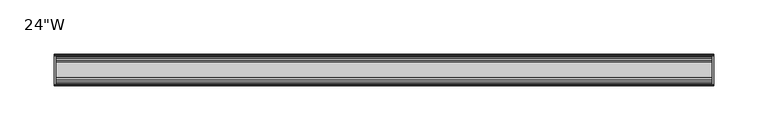
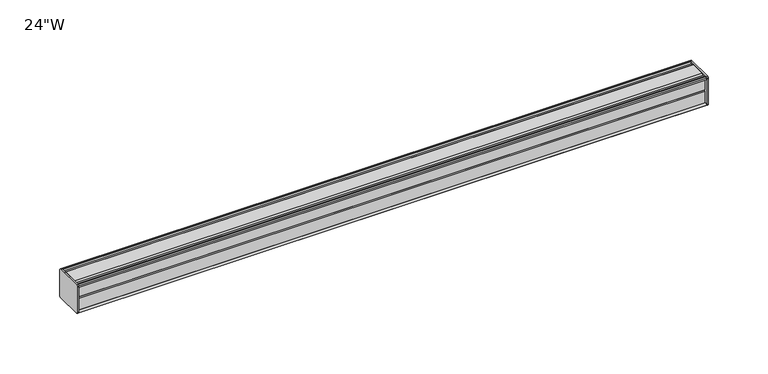
"""IFC4 building model written with IfcOpenShell, lengths in millimetres: furniture geometry."""

from ifc_helpers import new_model, si_unit, frame, origin, place, context, project, spatial, circle_curve, source, transform, mapped, element, save
from ifc_brep_helpers import plane_surface, cylinder_surface, advanced_brep


def furniture_0eafdb13(model_context):
    return source(origin(), model_context, "Body", "AdvancedBrep", [
        advanced_brep(
        [(303.2125, 14.5851562, 1246.9436262), (303.2125, 14.5851562, 1220.7932877), (303.2125, 14.4138595, 1219.9873997), (303.2125, 13.8374434, 1219.4109837), (303.2125, 12.9019306, 1219.1603131), (303.2125, -13.4067434, 1219.1603131), (303.2125, -14.3040014, 1220.0575711), (303.2125, -14.5851563, 1220.8259798), (303.2125, -14.5851563, 1246.7443327), (303.2125, -14.3040014, 1247.5127414), (303.2125, -13.4464303, 1248.3703125), (303.2125, 13.0500437, 1248.3703125), (303.2125, 13.8374434, 1248.1593288), (303.2125, 14.4138595, 1247.5829128), (304.8, 14.6248431, 1246.7955131), (304.8, 14.4138595, 1247.5829128), (304.8, 13.8374434, 1248.1593288), (304.8, 13.0500437, 1248.3703125), (304.8, -13.4464303, 1248.3703125), (304.8, -14.3040014, 1247.5127414), (304.8, -14.5851563, 1246.7443327), (304.8, -14.5851563, 1220.8259798), (304.8, -14.3040014, 1220.0575711), (304.8, -13.4067434, 1219.1603131), (304.8, 12.9019306, 1219.1603131), (304.8, 13.8374434, 1219.4109837), (304.8, 14.4138595, 1219.9873997), (304.8, 14.5851562, 1220.7932877)],
        [
            (0, 1),
            (1, 2),
            (2, 3),
            (3, 4),
            (4, 5),
            (5, 6),
            (6, 7, circle_curve(frame((303.2125, -13.3945313, 1220.8259798), z_axis=(-1.0, 0.0, 0.0), x_axis=(0.0, 1.0, 0.0)), 1.190625)),
            (7, 8),
            (8, 9, circle_curve(frame((303.2125, -13.3945313, 1246.7443327), z_axis=(-1.0, 0.0, 0.0), x_axis=(0.0, 1.0, 0.0)), 1.190625)),
            (9, 10),
            (10, 11),
            (11, 12),
            (12, 13),
            (13, 0),
            (14, 15),
            (15, 16),
            (16, 17),
            (17, 18),
            (18, 19),
            (19, 20, circle_curve(frame((304.8, -13.3945313, 1246.7443327), z_axis=(1.0, 0.0, 0.0), x_axis=(0.0, 1.0, 0.0)), 1.190625)),
            (20, 21),
            (21, 22, circle_curve(frame((304.8, -13.3945313, 1220.8259798), z_axis=(1.0, 0.0, 0.0), x_axis=(0.0, 1.0, 0.0)), 1.190625)),
            (22, 23),
            (23, 24),
            (24, 25),
            (25, 26),
            (26, 27),
            (27, 14),
            (13, 15),
            (14, 0),
            (12, 16),
            (11, 17),
            (10, 18),
            (9, 19),
            (8, 20),
            (7, 21),
            (6, 22),
            (5, 23),
            (4, 24),
            (3, 25),
            (2, 26),
            (1, 27),
        ],
        [
            plane_surface(frame((303.2125, 14.5851562, 1220.7932877), z_axis=(-1.0, 0.0, 0.0), x_axis=(0.0, 0.0, -1.0))),
            plane_surface(frame((304.8, 14.5851562, 1220.7932877), z_axis=(1.0, 0.0, 0.0), x_axis=(0.0, 0.0, 1.0))),
            plane_surface(frame((303.2125, 14.4138595, 1247.5829128), z_axis=(0.0, 0.9659256560349851, 0.25881968049857335), x_axis=(1.0, 0.0, 0.0))),
            plane_surface(frame((303.2125, 13.8374434, 1248.1593288), z_axis=(0.0, 0.7071067811866345, 0.7071067811864606), x_axis=(1.0, 0.0, 0.0))),
            plane_surface(frame((303.2125, 13.0500437, 1248.3703125), z_axis=(0.0, 0.2588196804711877, 0.9659256560423232), x_axis=(1.0, 0.0, 0.0))),
            plane_surface(frame((303.2125, -13.4464303, 1248.3703125), z_axis=(0.0, 0.0, 1.0), x_axis=(1.0, 0.0, 0.0))),
            plane_surface(frame((303.2125, -14.3040014, 1247.5127414), z_axis=(0.0, -0.70710678117674, 0.7071067811963553), x_axis=(1.0, 0.0, 0.0))),
            cylinder_surface(frame((304.8, -13.3945313, 1246.7443327), z_axis=(-1.0, 0.0, 0.0), x_axis=(0.0, 1.0, 0.0)), 1.190625),
            plane_surface(frame((303.2125, -14.5851563, 1220.8259798), z_axis=(0.0, -1.0, 0.0), x_axis=(1.0, 0.0, 0.0))),
            cylinder_surface(frame((304.8, -13.3945313, 1220.8259798), z_axis=(-1.0, 0.0, 0.0), x_axis=(0.0, 1.0, 0.0)), 1.190625),
            plane_surface(frame((303.2125, -13.4067434, 1219.1603131), z_axis=(0.0, -0.7071067811916553, -0.7071067811814398), x_axis=(1.0, 0.0, 0.0))),
            plane_surface(frame((303.2125, 12.9019306, 1219.1603131), z_axis=(0.0, 0.0, -1.0), x_axis=(1.0, 0.0, 0.0))),
            plane_surface(frame((303.2125, 13.8374434, 1219.4109837), z_axis=(0.0, 0.2588196804985645, -0.9659256560349875), x_axis=(1.0, 0.0, 0.0))),
            plane_surface(frame((303.2125, 14.4138595, 1219.9873997), z_axis=(0.0, 0.7071067811865204, -0.7071067811865748), x_axis=(1.0, 0.0, 0.0))),
            plane_surface(frame((303.2125, 14.5851562, 1220.7932877), z_axis=(0.0, 0.9781476007310527, -0.207911690830711), x_axis=(1.0, 0.0, 0.0))),
            plane_surface(frame((303.2125, 14.5851562, 1246.9436262), z_axis=(0.0, 1.0, 0.0), x_axis=(1.0, 0.0, 0.0))),
        ],
        [
            (0, [[1, 2, 3, 4, 5, 6, 7, 8, 9, 10, 11, 12, 13, 14]]),
            (1, [[15, 16, 17, 18, 19, 20, 21, 22, 23, 24, 25, 26, 27, 28]]),
            (2, [[-14, 29, -15, 30]]),
            (3, [[-13, 31, -16, -29]]),
            (4, [[-12, 32, -17, -31]]),
            (5, [[-11, 33, -18, -32]]),
            (6, [[-10, 34, -19, -33]]),
            (7, [[-9, 35, -20, -34]]),
            (8, [[-8, 36, -21, -35]]),
            (9, [[-7, 37, -22, -36]]),
            (10, [[-6, 38, -23, -37]]),
            (11, [[-5, 39, -24, -38]]),
            (12, [[-4, 40, -25, -39]]),
            (13, [[-3, 41, -26, -40]]),
            (14, [[-2, 42, -27, -41]]),
            (15, [[-1, -30, -28, -42]]),
        ],
    ),
        advanced_brep(
        [(-303.2125, 14.6248431, 1246.7955131), (-303.2125, 14.4138595, 1247.5829128), (-303.2125, 13.8374434, 1248.1593288), (-303.2125, 13.0500437, 1248.3703125), (-303.2125, -13.4464303, 1248.3703125), (-303.2125, -14.3040014, 1247.5127414), (-303.2125, -14.5851563, 1246.7443327), (-303.2125, -14.5851563, 1220.8259798), (-303.2125, -14.3040014, 1220.0575711), (-303.2125, -13.4067434, 1219.1603131), (-303.2125, 12.9019306, 1219.1603131), (-303.2125, 13.8374434, 1219.4109837), (-303.2125, 14.4138595, 1219.9873997), (-303.2125, 14.5851562, 1220.7932877), (-304.8, 14.5851562, 1246.9436262), (-304.8, 14.5851562, 1220.7932877), (-304.8, 14.4138595, 1219.9873997), (-304.8, 13.8374434, 1219.4109837), (-304.8, 12.9019306, 1219.1603131), (-304.8, -13.4067434, 1219.1603131), (-304.8, -14.3040014, 1220.0575711), (-304.8, -14.5851563, 1220.8259798), (-304.8, -14.5851563, 1246.7443327), (-304.8, -14.3040014, 1247.5127414), (-304.8, -13.4464303, 1248.3703125), (-304.8, 13.0500437, 1248.3703125), (-304.8, 13.8374434, 1248.1593288), (-304.8, 14.4138595, 1247.5829128)],
        [
            (0, 1),
            (1, 2),
            (2, 3),
            (3, 4),
            (4, 5),
            (5, 6, circle_curve(frame((-303.2125, -13.3945313, 1246.7443327), z_axis=(1.0, 0.0, 0.0), x_axis=(0.0, 1.0, 0.0)), 1.190625)),
            (6, 7),
            (7, 8, circle_curve(frame((-303.2125, -13.3945313, 1220.8259798), z_axis=(1.0, 0.0, 0.0), x_axis=(0.0, 1.0, 0.0)), 1.190625)),
            (8, 9),
            (9, 10),
            (10, 11),
            (11, 12),
            (12, 13),
            (13, 0),
            (14, 15),
            (15, 16),
            (16, 17),
            (17, 18),
            (18, 19),
            (19, 20),
            (20, 21, circle_curve(frame((-304.8, -13.3945313, 1220.8259798), z_axis=(-1.0, 0.0, 0.0), x_axis=(0.0, 1.0, 0.0)), 1.190625)),
            (21, 22),
            (22, 23, circle_curve(frame((-304.8, -13.3945313, 1246.7443327), z_axis=(-1.0, 0.0, 0.0), x_axis=(0.0, 1.0, 0.0)), 1.190625)),
            (23, 24),
            (24, 25),
            (25, 26),
            (26, 27),
            (27, 14),
            (0, 14),
            (27, 1),
            (26, 2),
            (25, 3),
            (24, 4),
            (23, 5),
            (22, 6),
            (21, 7),
            (20, 8),
            (19, 9),
            (18, 10),
            (17, 11),
            (16, 12),
            (15, 13),
        ],
        [
            plane_surface(frame((-303.2125, 14.6248431, 1246.7955131), z_axis=(1.0, 0.0, 0.0), x_axis=(0.0, -0.2588196804390474, 0.965925656050935))),
            plane_surface(frame((-304.8, 14.6248431, 1246.7955131), z_axis=(-1.0, 0.0, 0.0), x_axis=(0.0, 0.2588196804390474, -0.965925656050935))),
            plane_surface(frame((-303.2125, 14.6248431, 1246.7955131), z_axis=(0.0, 0.965925656050935, 0.2588196804390474), x_axis=(-1.0, 0.0, 0.0))),
            plane_surface(frame((-303.2125, 14.4138595, 1247.5829128), z_axis=(0.0, 0.7071067810676273, 0.7071067813054679), x_axis=(-1.0, 0.0, 0.0))),
            plane_surface(frame((-303.2125, 13.8374434, 1248.1593288), z_axis=(0.0, 0.25881968048355775, 0.9659256560390086), x_axis=(-1.0, 0.0, 0.0))),
            plane_surface(frame((-303.2125, 13.0500437, 1248.3703125), z_axis=(0.0, 0.0, 1.0), x_axis=(-1.0, 0.0, 0.0))),
            plane_surface(frame((-303.2125, -13.4464303, 1248.3703125), z_axis=(0.0, -0.7071067811880228, 0.7071067811850722), x_axis=(-1.0, 0.0, 0.0))),
            cylinder_surface(frame((-304.8, -13.3945313, 1246.7443327), z_axis=(1.0, 0.0, 0.0), x_axis=(0.0, 1.0, 0.0)), 1.190625),
            plane_surface(frame((-303.2125, -14.5851563, 1246.7443327), z_axis=(0.0, -1.0, 0.0), x_axis=(-1.0, 0.0, 0.0))),
            cylinder_surface(frame((-304.8, -13.3945313, 1220.8259798), z_axis=(1.0, 0.0, 0.0), x_axis=(0.0, 1.0, 0.0)), 1.190625),
            plane_surface(frame((-303.2125, -14.3040014, 1220.0575711), z_axis=(0.0, -0.7071067811865341, -0.7071067811865609), x_axis=(-1.0, 0.0, 0.0))),
            plane_surface(frame((-303.2125, -13.4067434, 1219.1603131), z_axis=(0.0, 0.0, -1.0), x_axis=(-1.0, 0.0, 0.0))),
            plane_surface(frame((-303.2125, 12.9019306, 1219.1603131), z_axis=(0.0, 0.25881968049856513, -0.9659256560349874), x_axis=(-1.0, 0.0, 0.0))),
            plane_surface(frame((-303.2125, 13.8374434, 1219.4109837), z_axis=(0.0, 0.707106781186519, -0.7071067811865761), x_axis=(-1.0, 0.0, 0.0))),
            plane_surface(frame((-303.2125, 14.4138595, 1219.9873997), z_axis=(0.0, 0.9781476007314348, -0.20791169082891317), x_axis=(-1.0, 0.0, 0.0))),
            plane_surface(frame((-303.2125, 14.5851562, 1220.7932877), z_axis=(0.0, 1.0, 0.0), x_axis=(-1.0, 0.0, 0.0))),
        ],
        [
            (0, [[1, 2, 3, 4, 5, 6, 7, 8, 9, 10, 11, 12, 13, 14]]),
            (1, [[15, 16, 17, 18, 19, 20, 21, 22, 23, 24, 25, 26, 27, 28]]),
            (2, [[-1, 29, -28, 30]]),
            (3, [[-2, -30, -27, 31]]),
            (4, [[-3, -31, -26, 32]]),
            (5, [[-4, -32, -25, 33]]),
            (6, [[-5, -33, -24, 34]]),
            (7, [[-6, -34, -23, 35]]),
            (8, [[-7, -35, -22, 36]]),
            (9, [[-8, -36, -21, 37]]),
            (10, [[-9, -37, -20, 38]]),
            (11, [[-10, -38, -19, 39]]),
            (12, [[-11, -39, -18, 40]]),
            (13, [[-12, -40, -17, 41]]),
            (14, [[-13, -41, -16, 42]]),
            (15, [[-14, -42, -15, -29]]),
        ],
    ),
        advanced_brep(
        [(303.2125, -7.3748315, 1248.3703125), (303.2125, -8.9105708, 1247.3395796), (303.2125, -10.7601399, 1247.3395796), (303.2125, -12.2958792, 1248.3703125), (303.2125, -13.4464303, 1248.3703125), (303.2125, -14.3040014, 1247.5127414), (303.2125, -13.3945313, 1245.5537077), (303.2125, -13.3945313, 1246.465312), (303.2125, -12.2039063, 1246.465312), (303.2125, -12.2039063, 1234.5590632), (303.2125, -11.4101564, 1233.7653134), (303.2125, -12.2039063, 1232.9715636), (303.2125, -12.2039063, 1221.0653131), (303.2125, -13.3945313, 1221.0653131), (303.2125, -13.3945313, 1222.0166048), (303.2125, -14.3040014, 1220.0575711), (303.2125, -13.4067434, 1219.1603131), (303.2125, -12.2958792, 1219.1603131), (303.2125, -10.7601399, 1220.1910471), (303.2125, -8.9105708, 1220.1910471), (303.2125, -7.4339628, 1219.2), (303.2125, 7.4145184, 1219.2), (303.2125, 8.9502576, 1220.2307329), (303.2125, 10.7998291, 1220.2307329), (303.2125, 12.2275037, 1219.2), (303.2125, 13.0500437, 1219.2), (303.2125, 13.8374434, 1219.4109837), (303.2125, 14.4138595, 1219.9873997), (303.2125, 14.5851562, 1220.7932877), (303.2125, 14.5851562, 1246.9436262), (303.2125, 14.4138595, 1247.5829128), (303.2125, 13.8374434, 1248.1593288), (303.2125, 13.0500437, 1248.3703125), (303.2125, 12.2275037, 1248.3703125), (303.2125, 10.7998291, 1247.3395796), (303.2125, 8.9502576, 1247.3395796), (303.2125, 7.4145184, 1248.3703125), (-303.2125, -7.3748315, 1248.3703125), (-303.2125, 7.4145184, 1248.3703125), (-303.2125, 8.9502576, 1247.3395796), (-303.2125, 10.7998291, 1247.3395796), (-303.2125, 12.2275037, 1248.3703125), (-303.2125, 13.0500437, 1248.3703125), (-303.2125, 13.8374434, 1248.1593288), (-303.2125, 14.4138595, 1247.5829128), (-303.2125, 14.6248431, 1246.7955131), (-303.2125, 14.5851562, 1220.7932877), (-303.2125, 14.4138595, 1219.9873997), (-303.2125, 13.8374434, 1219.4109837), (-303.2125, 13.0500437, 1219.2), (-303.2125, 12.2275037, 1219.2), (-303.2125, 10.7998291, 1220.2307329), (-303.2125, 8.9502576, 1220.2307329), (-303.2125, 7.4145184, 1219.2), (-303.2125, -7.4339628, 1219.2), (-303.2125, -8.9105708, 1220.1910471), (-303.2125, -10.7601399, 1220.1910471), (-303.2125, -12.2958792, 1219.1603131), (-303.2125, -13.4067434, 1219.1603131), (-303.2125, -14.3040014, 1220.0575711), (-303.2125, -13.3945313, 1222.0166048), (-303.2125, -13.3945313, 1221.0653131), (-303.2125, -12.2039063, 1221.0653131), (-303.2125, -12.2039063, 1232.9715636), (-303.2125, -11.4101564, 1233.7653134), (-303.2125, -12.2039063, 1234.5590632), (-303.2125, -12.2039063, 1246.465312), (-303.2125, -13.3945313, 1246.465312), (-303.2125, -13.3945313, 1245.5537077), (-303.2125, -14.3040014, 1247.5127414), (-303.2125, -13.4464303, 1248.3703125), (-303.2125, -12.2958792, 1248.3703125), (-303.2125, -10.7601399, 1247.3395796), (-303.2125, -8.9105708, 1247.3395796)],
        [
            (0, 1),
            (1, 2),
            (2, 3),
            (3, 4),
            (4, 5),
            (5, 6, circle_curve(frame((303.2125, -13.3945313, 1246.7443327), z_axis=(1.0, 0.0, 0.0), x_axis=(0.0, 1.0, 0.0)), 1.190625)),
            (6, 7),
            (7, 8),
            (8, 9),
            (9, 10),
            (10, 11),
            (11, 12),
            (12, 13),
            (13, 14),
            (14, 15, circle_curve(frame((303.2125, -13.3945313, 1220.8259798), z_axis=(1.0, 0.0, 0.0), x_axis=(0.0, 1.0, 0.0)), 1.190625)),
            (15, 16),
            (16, 17),
            (17, 18),
            (18, 19),
            (19, 20),
            (20, 21),
            (21, 22),
            (22, 23),
            (23, 24),
            (24, 25),
            (25, 26),
            (26, 27),
            (27, 28),
            (28, 29),
            (29, 30),
            (30, 31),
            (31, 32),
            (32, 33),
            (33, 34),
            (34, 35),
            (35, 36),
            (36, 0),
            (37, 38),
            (38, 39),
            (39, 40),
            (40, 41),
            (41, 42),
            (42, 43),
            (43, 44),
            (44, 45),
            (45, 46),
            (46, 47),
            (47, 48),
            (48, 49),
            (49, 50),
            (50, 51),
            (51, 52),
            (52, 53),
            (53, 54),
            (54, 55),
            (55, 56),
            (56, 57),
            (57, 58),
            (58, 59),
            (59, 60, circle_curve(frame((-303.2125, -13.3945313, 1220.8259798), z_axis=(-1.0, 0.0, 0.0), x_axis=(0.0, 1.0, 0.0)), 1.190625)),
            (60, 61),
            (61, 62),
            (62, 63),
            (63, 64),
            (64, 65),
            (65, 66),
            (66, 67),
            (67, 68),
            (68, 69, circle_curve(frame((-303.2125, -13.3945313, 1246.7443327), z_axis=(-1.0, 0.0, 0.0), x_axis=(0.0, 1.0, 0.0)), 1.190625)),
            (69, 70),
            (70, 71),
            (71, 72),
            (72, 73),
            (73, 37),
            (0, 37),
            (73, 1),
            (72, 2),
            (71, 3),
            (70, 4),
            (69, 5),
            (68, 6),
            (67, 7),
            (66, 8),
            (65, 9),
            (64, 10),
            (63, 11),
            (62, 12),
            (61, 13),
            (60, 14),
            (59, 15),
            (58, 16),
            (57, 17),
            (56, 18),
            (55, 19),
            (54, 20),
            (53, 21),
            (52, 22),
            (51, 23),
            (50, 24),
            (49, 25),
            (48, 26),
            (47, 27),
            (46, 28),
            (45, 29),
            (44, 30),
            (43, 31),
            (42, 32),
            (41, 33),
            (40, 34),
            (39, 35),
            (38, 36),
        ],
        [
            plane_surface(frame((303.2125, -7.3748315, 1248.3703125), z_axis=(1.0, 0.0, 0.0), x_axis=(0.0, -0.8303227972604666, -0.5572827400427488))),
            plane_surface(frame((-303.2125, -7.3748315, 1248.3703125), z_axis=(-1.0, 0.0, 0.0), x_axis=(0.0, 0.8303227972604666, 0.5572827400427488))),
            plane_surface(frame((303.2125, -7.3748315, 1248.3703125), z_axis=(0.0, -0.5572827400427488, 0.8303227972604666), x_axis=(-1.0, 0.0, 0.0))),
            plane_surface(frame((303.2125, -8.9105708, 1247.3395796), z_axis=(0.0, 0.0, 1.0), x_axis=(-1.0, 0.0, 0.0))),
            plane_surface(frame((303.2125, -10.7601399, 1247.3395796), z_axis=(0.0, 0.5572827400427491, 0.8303227972604665), x_axis=(-1.0, 0.0, 0.0))),
            plane_surface(frame((303.2125, -12.2958792, 1248.3703125), z_axis=(0.0, 0.0, 1.0), x_axis=(-1.0, 0.0, 0.0))),
            plane_surface(frame((303.2125, -13.4464303, 1248.3703125), z_axis=(0.0, -0.7071067811810978, 0.7071067811919972), x_axis=(-1.0, 0.0, 0.0))),
            cylinder_surface(frame((-303.2125, -13.3945313, 1246.7443327), z_axis=(1.0, 0.0, 0.0), x_axis=(0.0, 1.0, 0.0)), 1.190625),
            plane_surface(frame((303.2125, -13.3945313, 1245.5537077), z_axis=(0.0, 1.0, 0.0), x_axis=(-1.0, 0.0, 0.0))),
            plane_surface(frame((303.2125, -13.3945313, 1246.465312), z_axis=(0.0, 0.0, -1.0), x_axis=(-1.0, 0.0, 0.0))),
            plane_surface(frame((303.2125, -12.2039063, 1246.465312), z_axis=(0.0, -1.0, 0.0), x_axis=(-1.0, 0.0, 0.0))),
            plane_surface(frame((303.2125, -12.2039063, 1234.5590632), z_axis=(0.0, -0.7071067811865155, -0.7071067811865795), x_axis=(-1.0, 0.0, 0.0))),
            plane_surface(frame((303.2125, -11.4101564, 1233.7653134), z_axis=(0.0, -0.7071067811865522, 0.7071067811865428), x_axis=(-1.0, 0.0, 0.0))),
            plane_surface(frame((303.2125, -12.2039063, 1232.9715636), z_axis=(0.0, -1.0, 0.0), x_axis=(-1.0, 0.0, 0.0))),
            plane_surface(frame((303.2125, -12.2039063, 1221.0653131), z_axis=(0.0, 0.0, 1.0), x_axis=(-1.0, 0.0, 0.0))),
            plane_surface(frame((303.2125, -13.3945313, 1221.0653131), z_axis=(0.0, 1.0, 0.0), x_axis=(-1.0, 0.0, 0.0))),
            cylinder_surface(frame((-303.2125, -13.3945313, 1220.8259798), z_axis=(1.0, 0.0, 0.0), x_axis=(0.0, 1.0, 0.0)), 1.190625),
            plane_surface(frame((303.2125, -14.3040014, 1220.0575711), z_axis=(0.0, -0.7071067811865892, -0.7071067811865058), x_axis=(-1.0, 0.0, 0.0))),
            plane_surface(frame((303.2125, -13.4067434, 1219.1603131), z_axis=(0.0, 0.0, -1.0), x_axis=(-1.0, 0.0, 0.0))),
            plane_surface(frame((303.2125, -12.2958792, 1219.1603131), z_axis=(0.0, 0.5572831632988446, -0.8303225131860712), x_axis=(-1.0, 0.0, 0.0))),
            plane_surface(frame((303.2125, -10.7601399, 1220.1910471), z_axis=(0.0, 0.0, -1.0), x_axis=(-1.0, 0.0, 0.0))),
            plane_surface(frame((303.2125, -8.9105708, 1220.1910471), z_axis=(0.0, -0.5572831633038827, -0.8303225131826898), x_axis=(-1.0, 0.0, 0.0))),
            plane_surface(frame((303.2125, -7.4339628, 1219.2), z_axis=(0.0, 0.0, -1.0), x_axis=(-1.0, 0.0, 0.0))),
            plane_surface(frame((303.2125, 7.4145184, 1219.2), z_axis=(0.0, 0.5572827400524372, -0.8303227972539643), x_axis=(-1.0, 0.0, 0.0))),
            plane_surface(frame((303.2125, 8.9502576, 1220.2307329), z_axis=(0.0, 0.0, -1.0), x_axis=(-1.0, 0.0, 0.0))),
            plane_surface(frame((303.2125, 10.7998291, 1220.2307329), z_axis=(0.0, -0.5853541342124147, -0.8107777362264177), x_axis=(-1.0, 0.0, 0.0))),
            plane_surface(frame((303.2125, 12.2275037, 1219.2), z_axis=(0.0, 0.0, -1.0), x_axis=(-1.0, 0.0, 0.0))),
            plane_surface(frame((303.2125, 13.0500437, 1219.2), z_axis=(0.0, 0.2588196804985639, -0.9659256560349877), x_axis=(-1.0, 0.0, 0.0))),
            plane_surface(frame((303.2125, 13.8374434, 1219.4109837), z_axis=(0.0, 0.7071067811865592, -0.7071067811865358), x_axis=(-1.0, 0.0, 0.0))),
            plane_surface(frame((303.2125, 14.4138595, 1219.9873997), z_axis=(0.0, 0.9781476007314349, -0.20791169082891267), x_axis=(-1.0, 0.0, 0.0))),
            plane_surface(frame((303.2125, 14.5851562, 1220.7932877), z_axis=(0.0, 1.0, 0.0), x_axis=(-1.0, 0.0, 0.0))),
            plane_surface(frame((303.2125, 14.6248431, 1246.7955131), z_axis=(0.0, 0.9659256560510463, 0.25881968043863257), x_axis=(-1.0, 0.0, 0.0))),
            plane_surface(frame((303.2125, 14.4138595, 1247.5829128), z_axis=(0.0, 0.707106781066662, 0.707106781306433), x_axis=(-1.0, 0.0, 0.0))),
            plane_surface(frame((303.2125, 13.8374434, 1248.1593288), z_axis=(0.0, 0.25881968048369114, 0.9659256560389728), x_axis=(-1.0, 0.0, 0.0))),
            plane_surface(frame((303.2125, 13.0500437, 1248.3703125), z_axis=(0.0, 0.0, 1.0), x_axis=(-1.0, 0.0, 0.0))),
            plane_surface(frame((303.2125, 12.2275037, 1248.3703125), z_axis=(0.0, -0.5853541342075637, 0.8107777362299199), x_axis=(-1.0, 0.0, 0.0))),
            plane_surface(frame((303.2125, 10.7998291, 1247.3395796), z_axis=(0.0, 0.0, 1.0), x_axis=(-1.0, 0.0, 0.0))),
            plane_surface(frame((303.2125, 8.9502576, 1247.3395796), z_axis=(0.0, 0.5572827400427491, 0.8303227972604665), x_axis=(-1.0, 0.0, 0.0))),
            plane_surface(frame((303.2125, 7.4145184, 1248.3703125), z_axis=(0.0, 0.0, 1.0), x_axis=(-1.0, 0.0, 0.0))),
        ],
        [
            (0, [[1, 2, 3, 4, 5, 6, 7, 8, 9, 10, 11, 12, 13, 14, 15, 16, 17, 18, 19, 20, 21, 22, 23, 24, 25, 26, 27, 28, 29, 30, 31, 32, 33, 34, 35, 36, 37]]),
            (1, [[38, 39, 40, 41, 42, 43, 44, 45, 46, 47, 48, 49, 50, 51, 52, 53, 54, 55, 56, 57, 58, 59, 60, 61, 62, 63, 64, 65, 66, 67, 68, 69, 70, 71, 72, 73, 74]]),
            (2, [[-1, 75, -74, 76]]),
            (3, [[-2, -76, -73, 77]]),
            (4, [[-3, -77, -72, 78]]),
            (5, [[-4, -78, -71, 79]]),
            (6, [[-5, -79, -70, 80]]),
            (7, [[-6, -80, -69, 81]]),
            (8, [[-7, -81, -68, 82]]),
            (9, [[-8, -82, -67, 83]]),
            (10, [[-9, -83, -66, 84]]),
            (11, [[-10, -84, -65, 85]]),
            (12, [[-11, -85, -64, 86]]),
            (13, [[-12, -86, -63, 87]]),
            (14, [[-13, -87, -62, 88]]),
            (15, [[-14, -88, -61, 89]]),
            (16, [[-15, -89, -60, 90]]),
            (17, [[-16, -90, -59, 91]]),
            (18, [[-17, -91, -58, 92]]),
            (19, [[-18, -92, -57, 93]]),
            (20, [[-19, -93, -56, 94]]),
            (21, [[-20, -94, -55, 95]]),
            (22, [[-21, -95, -54, 96]]),
            (23, [[-22, -96, -53, 97]]),
            (24, [[-23, -97, -52, 98]]),
            (25, [[-24, -98, -51, 99]]),
            (26, [[-25, -99, -50, 100]]),
            (27, [[-26, -100, -49, 101]]),
            (28, [[-27, -101, -48, 102]]),
            (29, [[-28, -102, -47, 103]]),
            (30, [[-29, -103, -46, 104]]),
            (31, [[-30, -104, -45, 105]]),
            (32, [[-31, -105, -44, 106]]),
            (33, [[-32, -106, -43, 107]]),
            (34, [[-33, -107, -42, 108]]),
            (35, [[-34, -108, -41, 109]]),
            (36, [[-35, -109, -40, 110]]),
            (37, [[-36, -110, -39, 111]]),
            (38, [[-37, -111, -38, -75]]),
        ],
    ),
    ])


if __name__ == "__main__":
    model = new_model("IFC4")
    model_context = context("Model", 3, world=origin())
    ifc_project = project(units=[si_unit("LENGTHUNIT", "METRE", prefix="MILLI")], contexts=[model_context])
    site = spatial("IfcSite", under=ifc_project)
    building = spatial("IfcBuilding", under=site)
    placement = place(None, origin())
    furniture_shape = furniture_0eafdb13(model_context)
    element("IfcFurniture", 1, ObjectType="24\"W", at=placement, inside=building, context=model_context, shape_type="MappedRepresentation", body=[
        mapped(furniture_shape, transform((0.0, 0.0, 0.0), x_axis=(1.0, 0.0, 0.0), y_axis=(0.0, 1.0, 0.0), z_axis=(0.0, 0.0, 1.0))),
    ])
    save(model, "model.ifc")
